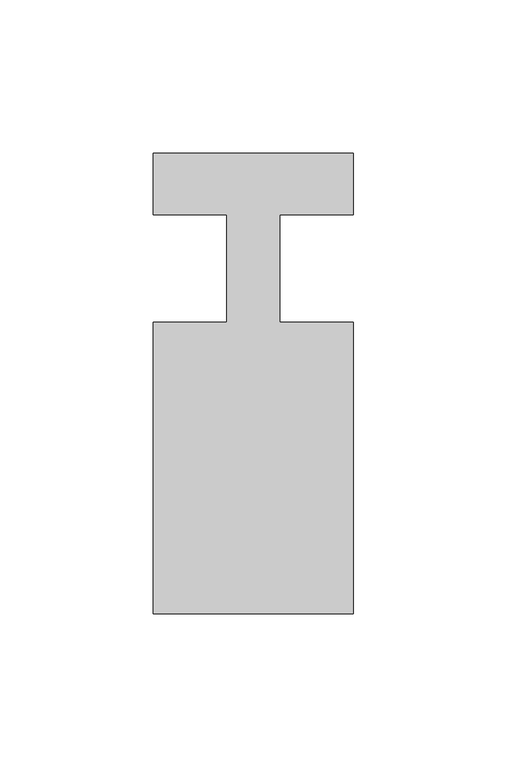
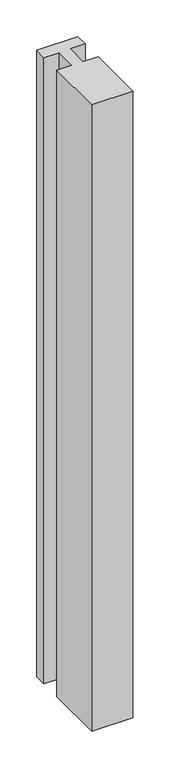
"""IFC4 building model written with IfcOpenShell, lengths in millimetres: member geometry."""

from ifc_helpers import new_model, si_unit, frame, origin, place, context, project, spatial, polyline, outline, extrude, source, transform, mapped, element, save


def member_92f0e650(model_context):
    return source(origin(), model_context, "Body", "SweptSolid", [
        extrude(outline(polyline([(0.0, 37.0), (0.0, 17.0), (-23.8125, 17.0), (-23.8125, -18.0), (0.0, -18.0), (0.0, -113.0), (-65.0, -113.0), (-65.0, -18.0), (-41.1875, -18.0), (-41.1875, 17.0), (-65.0, 17.0), (-65.0, 37.0), (0.0, 37.0)])), frame((0.0, 0.0, -1042.826087), z_axis=(0.0, 0.0, 1.0), x_axis=(1.0, 0.0, 0.0)), (0.0, 0.0, 1.0), 1042.826087),
    ])


if __name__ == "__main__":
    model = new_model("IFC4")
    model_context = context("Model", 3, world=origin())
    ifc_project = project(units=[si_unit("LENGTHUNIT", "METRE", prefix="MILLI")], contexts=[model_context])
    site = spatial("IfcSite", under=ifc_project)
    building = spatial("IfcBuilding", under=site)
    placement = place(None, origin())
    member_shape = member_92f0e650(model_context)
    element("IfcMember", 1, at=placement, inside=building, context=model_context, shape_type="MappedRepresentation", body=[
        mapped(member_shape, transform((0.0, 0.0, 0.0), x_axis=(1.0, 0.0, 0.0), y_axis=(0.0, 1.0, 0.0), z_axis=(0.0, 0.0, 1.0))),
    ])
    save(model, "model.ifc")
